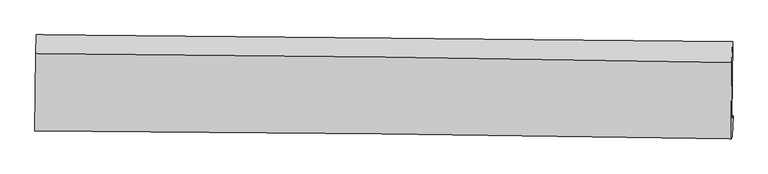
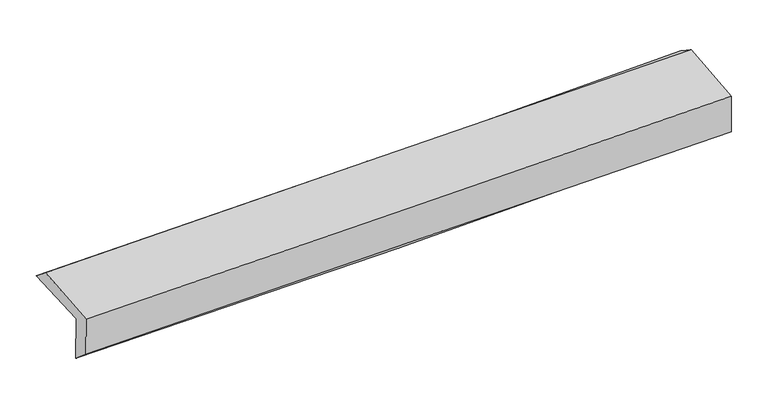
"""IFC4 building model written with IfcOpenShell, lengths in millimetres: proxy geometry."""

from ifc_helpers import new_model, si_unit, frame, origin, place, context, project, spatial, source, transform, mapped, element, save
from ifc_brep_helpers import plane_surface, spline_curve, spline_surface, advanced_brep


def generic_models_ad818c66(model_context):
    return source(origin(), model_context, "Body", "AdvancedBrep", [
        advanced_brep(
        [(-3022.3167127, -1764.8168651, 1960.0634733), (-3015.3955688, -1101.3773786, 1985.2778462), (3007.0216184, -1158.8073028, 2144.0444126), (3000.5173223, -1826.8259376, 2113.517883), (-3011.0287004, -1740.1454475, 1550.3645814), (3011.5272838, -1802.7622365, 1713.9108619), (-3016.8546415, -1911.0628759, 1694.3732458), (3006.1198805, -1982.7161182, 1841.6124884), (-3026.8731626, -1932.9596552, 2057.9958948), (2995.9573101, -2004.9277361, 2210.4634157), (-3020.7355105, -1265.7238268, 2113.9958828), (3001.7237515, -1342.8006628, 2266.0256164)],
        [
            (0, 1),
            (1, 2, spline_curve(3, [(-3015.3955688, -1101.3773786, 1985.2778462), (-2011.134989529, -1110.849455712, 1992.156915334), (-1007.134621989, -1120.371340538, 2008.827087856), (1000.337769499, -1139.51464913, 2061.749431134), (2003.809797792, -1149.136072765, 2098.001447504), (3007.0216184, -1158.8073028, 2144.0444126)], [4, 2, 4], [0.0, 9.884167837360504, 19.76825767701721])),
            (2, 3),
            (3, 0, spline_curve(3, [(3000.5173223, -1826.8259376, 2113.517883), (1997.393480306, -1814.078538953, 2063.451820868), (993.930704749, -1802.53743272, 2025.630924327), (-1013.680635187, -1781.867722725, 1974.479261449), (-2017.829204467, -1772.739138301, 1961.148687716), (-3022.3167127, -1764.8168651, 1960.0634733)], [4, 2, 4], [0.0, 9.884089839656706, 19.76825767701721])),
            (4, 0),
            (3, 5),
            (5, 4, spline_curve(3, [(3011.5272838, -1802.7622365, 1713.9108619), (2008.265461675, -1790.316411471, 1668.85279357), (1004.756866353, -1778.875449625, 1632.6949214), (-1002.761791025, -1758.003170821, 1578.179353903), (-2006.771857298, -1748.5718696, 1559.821799412), (-3011.0287004, -1740.1454475, 1550.3645814)], [4, 2, 4], [0.0, 9.884299308668886, 19.768676616694542])),
            (6, 4),
            (5, 7),
            (7, 6, spline_curve(3, [(3006.1198805, -1982.7161182, 1841.6124884), (2002.406575481, -1966.339343553, 1814.456029462), (998.637360214, -1952.179867471, 1788.607906285), (-1009.020812837, -1928.29541809, 1739.528138066), (-2012.909771596, -1918.570480057, 1716.296513675), (-3016.8546415, -1911.0628759, 1694.3732458)], [4, 2, 4], [0.0, 9.883866628672823, 19.767811253288034])),
            (8, 6),
            (7, 9),
            (9, 8, spline_curve(3, [(2995.9573101, -2004.9277361, 2210.4634157), (1992.314565084, -1988.396743115, 2180.745977493), (988.592634171, -1974.133921505, 2153.181673331), (-1019.017522404, -1950.144525242, 2102.359132543), (-2022.905748802, -1940.41798677, 2079.100929793), (-3026.8731626, -1932.9596552, 2057.9958948)], [4, 2, 4], [0.0, 9.883856407711889, 19.767790811285508])),
            (10, 8),
            (9, 11),
            (11, 10, spline_curve(3, [(3001.7237515, -1342.8006628, 2266.0256164), (1998.157959269, -1323.68695891, 2236.52642034), (994.505438524, -1307.707050378, 2209.107719366), (-1012.98098067, -1282.014722451, 2158.431108885), (-2016.814880521, -1272.302352289, 2135.17323177), (-3020.7355105, -1265.7238268, 2113.9958828)], [4, 2, 4], [0.0, 9.883608148624395, 19.76729429115145])),
            (1, 10),
            (11, 2),
        ],
        [
            spline_surface(3, 3, [[(-3022.3167127, -1764.8168651, 1960.0634733), (-2017.829204365, -1772.7391383, 1961.148687789), (-1013.680635058, -1781.867722795, 1974.479261311), (993.93070462, -1802.537432651, 2025.630924464), (1997.393480258, -1814.07853902, 2063.451820855), (3000.5173223, -1826.8259376, 2113.517883)], [(-3020.009664731, -1543.670369593, 1968.468264248), (-2015.597799465, -1552.109244102, 1971.484763593), (-1011.498630742, -1561.368928667, 1985.928536807), (996.06639292, -1581.529838193, 2037.670426685), (1999.532252711, -1592.431050246, 2074.968363021), (3002.685420977, -1604.153059355, 2123.693392857)], [(-3017.702616769, -1322.523874107, 1976.873055252), (-2013.366394571, -1331.479349924, 1981.820839452), (-1009.316626376, -1340.870134529, 1997.377812335), (998.20208127, -1360.522243725, 2049.709928938), (2001.671025233, -1370.783561407, 2086.484905214), (3004.853519723, -1381.480181045, 2133.868902743)], [(-3015.3955688, -1101.3773786, 1985.2778462), (-2011.134989671, -1110.849455726, 1992.156915257), (-1007.134622059, -1120.371340401, 2008.827087831), (1000.33776957, -1139.514649267, 2061.749431159), (2003.809797686, -1149.136072632, 2098.00144738), (3007.0216184, -1158.8073028, 2144.0444126)]], [4, 4], [4, 2, 4], [0.0, 2.175944110816876], [0.0, 9.884167837360504, 19.76825767701721]),
            spline_surface(3, 3, [[(-3011.0287004, -1740.1454475, 1550.3645814), (-2006.771857271, -1748.571869474, 1559.821799392), (-1002.761791079, -1758.003170809, 1578.179354002), (1004.756866407, -1778.875449638, 1632.694921301), (2008.265461654, -1790.316411363, 1668.852793529), (3011.5272838, -1802.7622365, 1713.9108619)], [(-3014.791371188, -1748.369253354, 1686.930878718), (-2010.457639657, -1756.627625737, 1693.597428876), (-1006.401405718, -1765.958021461, 1710.279323117), (1001.148145832, -1786.7627773, 1763.673589034), (2004.641467881, -1798.237120585, 1800.385802652), (3007.857296659, -1810.783470202, 1847.113202281)], [(-3018.554041912, -1756.593059246, 1823.497175982), (-2014.143421979, -1764.683382037, 1827.373058305), (-1010.041020419, -1773.912872142, 1842.379292197), (997.539425195, -1794.650104989, 1894.652256731), (2001.017474031, -1806.157829799, 1931.918811733), (3004.187309441, -1818.804703898, 1980.315542619)], [(-3022.3167127, -1764.8168651, 1960.0634733), (-2017.829204365, -1772.7391383, 1961.148687789), (-1013.680635058, -1781.867722795, 1974.479261311), (993.93070462, -1802.537432651, 2025.630924464), (1997.393480258, -1814.07853902, 2063.451820855), (3000.5173223, -1826.8259376, 2113.517883)]], [4, 4], [4, 2, 4], [0.0, 1.2975140898973758], [0.0, 9.884377308025655, 19.768676616694542]),
            spline_surface(3, 3, [[(-3016.8546415, -1911.0628759, 1694.3732458), (-2012.909771501, -1918.570480216, 1716.296513656), (-1009.020812879, -1928.29541824, 1739.528138081), (998.637360256, -1952.179867321, 1788.607906269), (2002.406575599, -1966.339343423, 1814.456029366), (3006.1198805, -1982.7161182, 1841.6124884)], [(-3014.912661111, -1854.090399766, 1646.370357652), (-2010.863800068, -1861.904276634, 1664.138275553), (-1006.934472274, -1871.531335757, 1685.745210047), (1000.677195644, -1894.411728087, 1736.636911272), (2004.359537604, -1907.665032719, 1765.921617397), (3007.922348253, -1922.731490949, 1799.045279543)], [(-3012.970680789, -1797.117923634, 1598.367469548), (-2008.817828704, -1805.238073056, 1611.980037495), (-1004.848131684, -1814.767253292, 1631.962282036), (1002.717031018, -1836.643588872, 1684.665916298), (2006.31249965, -1848.990722068, 1717.387205498), (3009.724816047, -1862.746863751, 1756.478070757)], [(-3011.0287004, -1740.1454475, 1550.3645814), (-2006.771857271, -1748.571869474, 1559.821799392), (-1002.761791079, -1758.003170809, 1578.179354002), (1004.756866407, -1778.875449638, 1632.694921301), (2008.265461654, -1790.316411363, 1668.852793529), (3011.5272838, -1802.7622365, 1713.9108619)]], [4, 4], [4, 2, 4], [0.0, 0.7674412202648199], [0.0, 9.88394462461521, 19.767811253288034]),
            spline_surface(3, 3, [[(-3026.8731626, -1932.9596552, 2057.9958948), (-2022.905748669, -1940.417986823, 2079.100929679), (-1019.017522271, -1950.144525327, 2102.359132457), (988.592634037, -1974.133921421, 2153.181673417), (1992.314565223, -1988.396743224, 2180.745977583), (2995.9573101, -2004.9277361, 2210.4634157)], [(-3023.533655596, -1925.660728773, 1936.788345139), (-2019.573756309, -1933.135484627, 1958.166124344), (-1015.685285815, -1942.861489627, 1981.415467647), (991.940876102, -1966.815903384, 2031.65708435), (1995.678568678, -1981.044276621, 2058.649328177), (2999.344833563, -1997.523863463, 2087.5131066)], [(-3020.194148504, -1918.361802327, 1815.580795461), (-2016.241763861, -1925.852982412, 1837.231318992), (-1012.353049335, -1935.57845394, 1860.471802891), (995.289118191, -1959.497885359, 1910.132495336), (1999.042572144, -1973.691810027, 1936.552678772), (3002.732357037, -1990.119990837, 1964.5627975)], [(-3016.8546415, -1911.0628759, 1694.3732458), (-2012.909771501, -1918.570480216, 1716.296513656), (-1009.020812879, -1928.29541824, 1739.528138081), (998.637360256, -1952.179867321, 1788.607906269), (2002.406575599, -1966.339343423, 1814.456029366), (3006.1198805, -1982.7161182, 1841.6124884)]], [4, 4], [4, 2, 4], [0.0, 1.195862815004645], [0.0, 9.883934403573619, 19.767790811285508]),
            spline_surface(3, 3, [[(-3020.7355105, -1265.7238268, 2113.9958828), (-2016.814880623, -1272.302352216, 2135.173231634), (-1012.980980728, -1282.014722352, 2158.431108775), (994.505438583, -1307.707050477, 2209.107719476), (1998.157959328, -1323.68695901, 2236.526420204), (3001.7237515, -1342.8006628, 2266.0256164)], [(-3022.781394505, -1488.135769604, 2095.329220123), (-2018.845169944, -1495.007563756, 2116.482464305), (-1014.99316125, -1504.724656696, 2139.740450023), (992.534503727, -1529.849340811, 2190.465704144), (1996.210161298, -1545.256887082, 2217.932939332), (2999.801604372, -1563.509687235, 2247.504882835)], [(-3024.827278595, -1710.547712396, 2076.662557477), (-2020.875459349, -1717.712775284, 2097.791697008), (-1017.005341749, -1727.434590982, 2121.049791209), (990.563568893, -1751.991631086, 2171.823688749), (1994.262363252, -1766.826815151, 2199.339458454), (2997.879457228, -1784.218711665, 2228.984149265)], [(-3026.8731626, -1932.9596552, 2057.9958948), (-2022.905748669, -1940.417986823, 2079.100929679), (-1019.017522271, -1950.144525327, 2102.359132457), (988.592634037, -1974.133921421, 2153.181673417), (1992.314565223, -1988.396743224, 2180.745977583), (2995.9573101, -2004.9277361, 2210.4634157)]], [4, 4], [4, 2, 4], [0.0, 2.19701652172791], [0.0, 9.883686142527056, 19.76729429115145]),
            spline_surface(3, 3, [[(-3015.3955688, -1101.3773786, 1985.2778462), (-2011.134989671, -1110.849455726, 1992.156915257), (-1007.134622059, -1120.371340401, 2008.827087831), (1000.33776957, -1139.514649267, 2061.749431159), (2003.809797686, -1149.136072632, 2098.00144738), (3007.0216184, -1158.8073028, 2144.0444126)], [(-3017.175549369, -1156.159528009, 2028.18385842), (-2013.028286657, -1164.667087899, 2039.829020736), (-1009.083408276, -1174.252467714, 2058.695094815), (998.393659247, -1195.578783, 2110.868860601), (2001.925851576, -1207.319701421, 2144.176438338), (3005.255662776, -1220.138422796, 2184.704813884)], [(-3018.955529931, -1210.941677391, 2071.08987058), (-2014.921583637, -1218.484720043, 2087.501126154), (-1011.032194512, -1228.133595039, 2108.56310179), (996.449548906, -1251.642916744, 2159.988290033), (2000.041905438, -1265.503330221, 2190.351429246), (3003.489707124, -1281.469542804, 2225.365215116)], [(-3020.7355105, -1265.7238268, 2113.9958828), (-2016.814880623, -1272.302352216, 2135.173231634), (-1012.980980728, -1282.014722352, 2158.431108775), (994.505438583, -1307.707050477, 2209.107719476), (1998.157959328, -1323.68695901, 2236.526420204), (3001.7237515, -1342.8006628, 2266.0256164)]], [4, 4], [4, 2, 4], [0.0, 0.7283069695303583], [0.0, 9.883455474982723, 19.766832957883025]),
            plane_surface(frame((3003.8111944, -1686.4733323, 2048.2624463), z_axis=(0.9995785644835667, -0.01096094790821166, 0.026880309632250177), x_axis=(0.027491757112789453, 0.060086806908267405, -0.9978145012608406))),
            plane_surface(frame((-3018.8673828, -1619.3476749, 1893.6784874), z_axis=(-0.9995738942853922, 0.01144825100182373, -0.026850836339577595), x_axis=(-0.010424123316248623, -0.9992242776309068, -0.037976053587493945))),
        ],
        [
            (0, [[1, 2, 3, 4]]),
            (1, [[5, -4, 6, 7]]),
            (2, [[8, -7, 9, 10]]),
            (3, [[11, -10, 12, 13]]),
            (4, [[14, -13, 15, 16]]),
            (5, [[17, -16, 18, -2]]),
            (6, [[-12, -9, -6, -3, -18, -15]]),
            (7, [[-1, -5, -8, -11, -14, -17]]),
        ],
    ),
    ])


if __name__ == "__main__":
    model = new_model("IFC4")
    model_context = context("Model", 3, world=origin())
    ifc_project = project(units=[si_unit("LENGTHUNIT", "METRE", prefix="MILLI")], contexts=[model_context])
    site = spatial("IfcSite", under=ifc_project)
    building = spatial("IfcBuilding", under=site)
    placement = place(None, origin())
    generic_models_shape = generic_models_ad818c66(model_context)
    element("IfcBuildingElementProxy", 1, Name="Generic Models", at=placement, inside=building, context=model_context, shape_type="MappedRepresentation", body=[
        mapped(generic_models_shape, transform((0.0, 0.0, 0.0), x_axis=(1.0, 0.0, 0.0), y_axis=(0.0, 1.0, 0.0), z_axis=(0.0, 0.0, 1.0))),
    ])
    save(model, "model.ifc")
